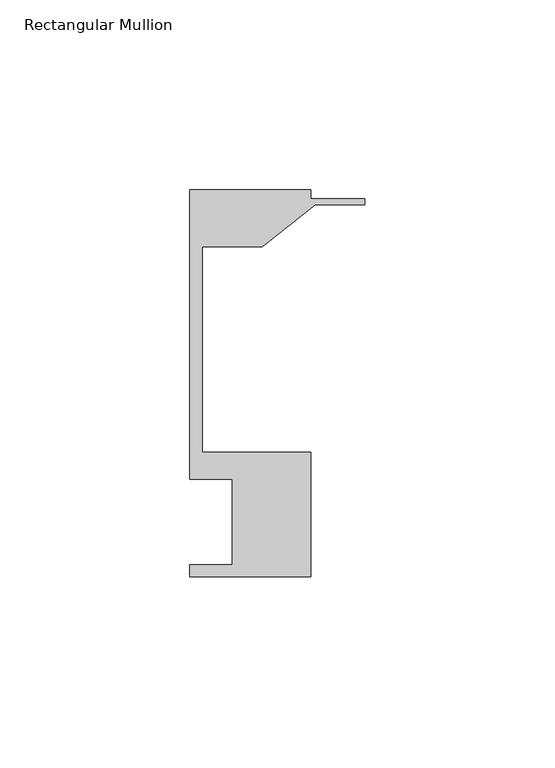
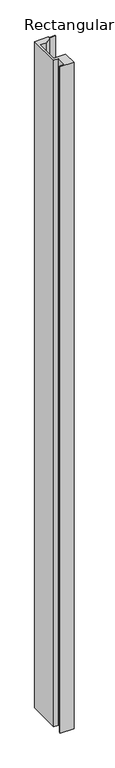
"""IFC4 building model written with IfcOpenShell, lengths in millimetres: member geometry, Rectangular Mullion."""

from ifc_helpers import new_model, si_unit, frame, origin, place, context, project, spatial, polyline, outline, extrude, source, transform, mapped, element, save


def rectangular_mullion_3cdbc0c0(model_context):
    return source(origin(), model_context, "Body", "SweptSolid", [
        extrude(outline(polyline([(-46.0248, 12.6444375), (-46.0248, 15.8194375), (-34.9123, 15.8194375), (-34.9123, 38.2984375), (-46.0248, 38.2984375), (-46.0248, 114.4984375), (-14.2748, 114.4984375), (-14.2748, 112.2124375), (0.0, 112.2124375), (0.0, 110.6249375), (-12.9857923, 110.6249375), (-27.0068481, 99.5124375), (-42.8498, 99.5124375), (-42.8498, 45.4358375), (-14.2748, 45.4358375), (-14.2748, 12.6444375), (-46.0248, 12.6444375)])), frame((0.0, 0.0, -1625.6), z_axis=(0.0, 0.0, 1.0), x_axis=(1.0, 0.0, 0.0)), (0.0, 0.0, 1.0), 1625.6),
    ])


if __name__ == "__main__":
    model = new_model("IFC4")
    model_context = context("Model", 3, world=origin())
    ifc_project = project(units=[si_unit("LENGTHUNIT", "METRE", prefix="MILLI")], contexts=[model_context])
    site = spatial("IfcSite", under=ifc_project)
    building = spatial("IfcBuilding", under=site)
    placement = place(None, origin())
    rectangular_mullion_shape = rectangular_mullion_3cdbc0c0(model_context)
    element("IfcMember", 1, ObjectType="Rectangular Mullion", at=placement, inside=building, context=model_context, shape_type="MappedRepresentation", body=[
        mapped(rectangular_mullion_shape, transform((0.0, 0.0, 0.0), x_axis=(1.0, 0.0, 0.0), y_axis=(0.0, 1.0, 0.0), z_axis=(0.0, 0.0, 1.0))),
    ])
    save(model, "model.ifc")
